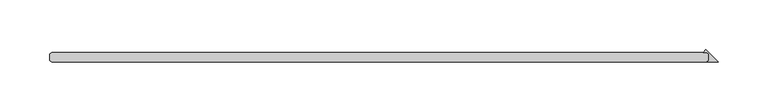
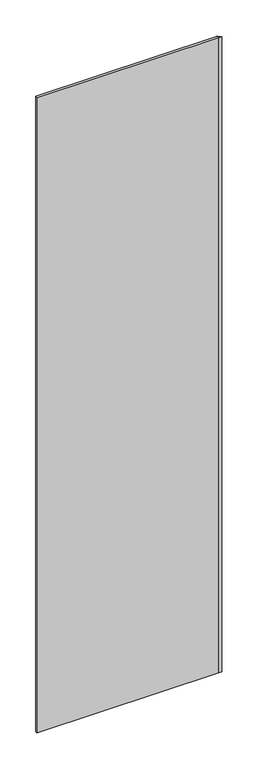
"""IFC4 building model written with IfcOpenShell, lengths in millimetres: plate geometry."""

from ifc_helpers import new_model, si_unit, origin, origin_with_axes, place, context, project, spatial, polyline, outline, extrude, source, transform, mapped, element, save


def plate_03d01afb(model_context):
    return source(origin(), model_context, "Body", "SweptSolid", [
        extrude(outline(polyline([(342.503125, -33.3375), (342.503125, -26.9875), (340.915625, -25.4), (337.083061, -25.4), (339.793093, -22.689968), (352.028125, -34.925), (340.915625, -34.925), (342.503125, -33.3375)])), origin_with_axes(), (0.0, 0.0, 1.0), 2428.7789267),
        extrude(outline(polyline([(340.915625, -34.925), (-315.515625, -34.925), (-317.103125, -33.3375), (-317.103125, -26.9875), (-315.515625, -25.4), (340.915625, -25.4), (342.503125, -26.9875), (342.503125, -33.3375), (340.915625, -34.925)])), origin_with_axes(), (0.0, 0.0, 1.0), 2428.7789267),
    ])


if __name__ == "__main__":
    model = new_model("IFC4")
    model_context = context("Model", 3, world=origin())
    ifc_project = project(units=[si_unit("LENGTHUNIT", "METRE", prefix="MILLI")], contexts=[model_context])
    site = spatial("IfcSite", under=ifc_project)
    building = spatial("IfcBuilding", under=site)
    placement = place(None, origin())
    plate_shape = plate_03d01afb(model_context)
    element("IfcPlate", 1, at=placement, inside=building, context=model_context, shape_type="MappedRepresentation", body=[
        mapped(plate_shape, transform((0.0, 0.0, 0.0), x_axis=(1.0, 0.0, 0.0), y_axis=(0.0, 1.0, 0.0), z_axis=(0.0, 0.0, 1.0))),
    ])
    save(model, "model.ifc")
